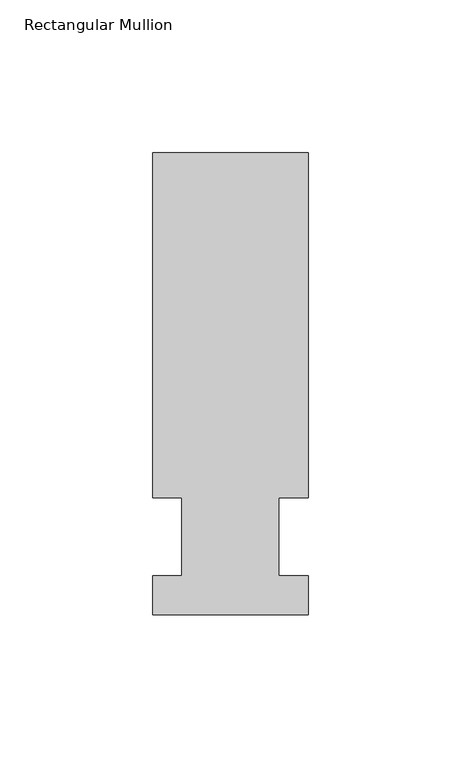
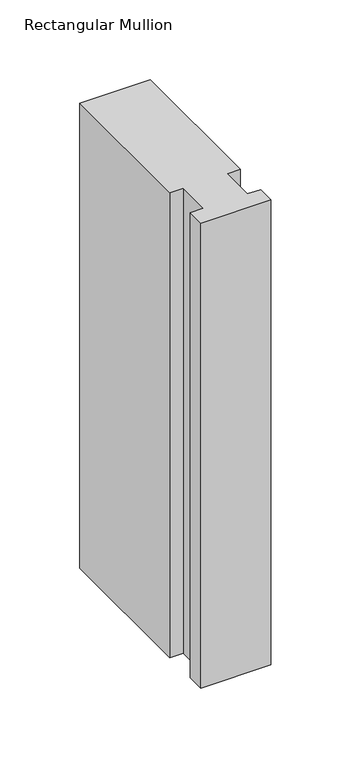
"""IFC4 building model written with IfcOpenShell, lengths in millimetres: member geometry, Rectangular Mullion."""

import ifcopenshell
import ifcopenshell.guid

model = None  # the IFC model being written
_history = None  # IfcOwnerHistory: only IFC2X3 demands one
_inside = {}  # id of a spatial element -> (the spatial element, [elements in it])
_under = {}  # id of a project, library or spatial element -> (it, [spatial elements below it])
_declared = {}  # id of a project -> (the project, [libraries it declares])
_typed = {}  # id of a type object -> (the type object, [elements of that type])
_made_of = {}  # id of a material, layer set ... -> (it, [elements and type objects made of it])


def new_model(schema):
    """Start an empty IFC model of exactly this schema.

    Asked for "IFC4X3", IfcOpenShell would pick the latest addendum, in which some entities
    have other attributes; the version numbers below select the first issue.
    IFC2X3 requires an IfcOwnerHistory on every rooted entity: one is made here for all.
    """
    global model, _history
    if schema == "IFC4X3":
        model = ifcopenshell.file(schema_version=(4, 3, 0, 0))
    else:
        model = ifcopenshell.file(schema=schema)
    _inside.clear()
    _under.clear()
    _declared.clear()
    _typed.clear()
    _made_of.clear()
    _history = None
    if model.schema == "IFC2X3":
        org = make("IfcOrganization", Name="unknown")
        user = make(
            "IfcPersonAndOrganization",
            ThePerson=make("IfcPerson", FamilyName="unknown"),
            TheOrganization=org,
        )
        app = make(
            "IfcApplication",
            ApplicationDeveloper=org,
            Version="unknown",
            ApplicationFullName="unknown",
            ApplicationIdentifier="unknown",
        )
        _history = make(
            "IfcOwnerHistory",
            OwningUser=user,
            OwningApplication=app,
            ChangeAction="ADDED",
            CreationDate=0,
        )
    return model


def make(cls, **values):
    """One entity of the class cls with the attributes given. An attribute that is None is left unset."""
    return model.create_entity(
        cls, **{name: value for name, value in values.items() if value is not None}
    )


def rooted(cls, **values):
    """An entity with a GlobalId (a new one), such as an element, a storey or a relation."""
    return make(cls, GlobalId=ifcopenshell.guid.new(), OwnerHistory=_history, **values)


def si_unit(unit_type, name, prefix=None):
    """IfcSIUnit, for example si_unit("LENGTHUNIT", "METRE", prefix="MILLI")."""
    return make("IfcSIUnit", UnitType=unit_type, Prefix=prefix, Name=name)


def assignment(units):
    """IfcUnitAssignment: the units of a project."""
    return None if units is None else make("IfcUnitAssignment", Units=units)


def point(xyz):
    """IfcCartesianPoint."""
    return None if xyz is None else make("IfcCartesianPoint", Coordinates=xyz)


def direction(xyz):
    """IfcDirection."""
    return None if xyz is None else make("IfcDirection", DirectionRatios=xyz)


def frame(location, z_axis=None, x_axis=None):
    """IfcAxis2Placement3D, a coordinate frame: its origin and axes. An axis left out is left unset."""
    return make(
        "IfcAxis2Placement3D",
        Location=point(location),
        Axis=direction(z_axis),
        RefDirection=direction(x_axis),
    )


def origin():
    """The frame at (0, 0, 0) with its axes left unset."""
    return frame((0.0, 0.0, 0.0))


def place(relative_to, where):
    """IfcLocalPlacement: puts the frame where relative to a parent placement (None: the world)."""
    return make(
        "IfcLocalPlacement", PlacementRelTo=relative_to, RelativePlacement=where
    )


def context(
    kind, dimensions, precision=None, world=None, true_north=None, identifier=None
):
    """IfcGeometricRepresentationContext, for example the 3D "Model" context."""
    return make(
        "IfcGeometricRepresentationContext",
        ContextIdentifier=identifier,
        ContextType=kind,
        CoordinateSpaceDimension=dimensions,
        Precision=precision,
        WorldCoordinateSystem=world,
        TrueNorth=true_north,
    )


def project(units=None, contexts=None):
    """IfcProject with its units and contexts."""
    return rooted(
        "IfcProject",
        Name="project",
        RepresentationContexts=contexts,
        UnitsInContext=assignment(units),
    )


def spatial(cls, under=None, at=None, **own):
    """A site, building, storey or space (cls), placed at a placement, below another one or the project."""
    s = rooted(cls, ObjectPlacement=at, **own)
    if under is not None:
        _under.setdefault(under.id(), (under, []))[1].append(s)
    return s


def polyline(points):
    """IfcPolyline through the points."""
    return make("IfcPolyline", Points=[point(p) for p in points])


def outline(outer, holes=None, kind="AREA"):
    """IfcArbitraryClosedProfileDef: a profile drawn as a closed curve; with holes, ...WithVoids."""
    if holes is None:
        return make("IfcArbitraryClosedProfileDef", ProfileType=kind, OuterCurve=outer)
    return make(
        "IfcArbitraryProfileDefWithVoids",
        ProfileType=kind,
        OuterCurve=outer,
        InnerCurves=holes,
    )


def extrude(swept, where, along, depth):
    """IfcExtrudedAreaSolid: the profile swept, set in the frame where, extruded along a direction by depth."""
    return make(
        "IfcExtrudedAreaSolid",
        SweptArea=swept,
        Position=where,
        ExtrudedDirection=direction(along),
        Depth=depth,
    )


def shape(context_of_items, identifier, shape_type, items):
    """IfcShapeRepresentation: the items that make up one representation, for example the "Body"."""
    return make(
        "IfcShapeRepresentation",
        ContextOfItems=context_of_items,
        RepresentationIdentifier=identifier,
        RepresentationType=shape_type,
        Items=items,
    )


def source(mapping_origin, context_of_items, identifier, shape_type, items):
    """IfcRepresentationMap: a shape defined once, which mapped items show again and again."""
    return make(
        "IfcRepresentationMap",
        MappingOrigin=mapping_origin,
        MappedRepresentation=shape(context_of_items, identifier, shape_type, items),
    )


def transform(
    local_origin,
    x_axis=None,
    y_axis=None,
    z_axis=None,
    scale=None,
    scale2=None,
    scale3=None,
    uniform=True,
):
    """IfcCartesianTransformationOperator3D, or its non-uniform kind. x_axis, y_axis, z_axis: its Axis1, 2, 3."""
    if uniform:
        return make(
            "IfcCartesianTransformationOperator3D",
            Axis1=direction(x_axis),
            Axis2=direction(y_axis),
            LocalOrigin=point(local_origin),
            Scale=scale,
            Axis3=direction(z_axis),
        )
    return make(
        "IfcCartesianTransformationOperator3DnonUniform",
        Axis1=direction(x_axis),
        Axis2=direction(y_axis),
        LocalOrigin=point(local_origin),
        Scale=scale,
        Axis3=direction(z_axis),
        Scale2=scale2,
        Scale3=scale3,
    )


def mapped(mapping_source, mapping_target):
    """IfcMappedItem: shows the shape of a source again, moved by a transform."""
    return make(
        "IfcMappedItem", MappingSource=mapping_source, MappingTarget=mapping_target
    )


def made_of(thing, what):
    """Note that an element or type object is made of a material, layer set ...; save() writes the relation."""
    if what is not None:
        _made_of.setdefault(what.id(), (what, []))[1].append(thing)
    return thing


def element(
    cls,
    number,
    at=None,
    inside=None,
    cuts=None,
    type_object=None,
    material=None,
    context=None,
    identifier="Body",
    shape_type=None,
    held_by="IfcProductDefinitionShape",
    body=None,
    shapes=None,
    **own,
):
    """One element of the class cls, such as IfcWall. Its Tag is "e" and its number.

    at: its placement. inside: the storey or other place that contains it. cuts: it is an
    opening in that element (IfcRelVoidsElement). A single representation is given by context,
    identifier, shape_type and body (its items); several are given by shapes. held_by: the class
    of the entity that holds the representations. save() writes the other relations.
    """
    e = rooted(cls, Tag="e%d" % number, ObjectPlacement=at, **own)
    if body is not None:
        shapes = [shape(context, identifier, shape_type, body)]
    if shapes is not None:
        e.Representation = make(held_by, Representations=shapes)
    if inside is not None:
        _inside.setdefault(inside.id(), (inside, []))[1].append(e)
    if cuts is not None:
        rooted(
            "IfcRelVoidsElement", RelatingBuildingElement=cuts, RelatedOpeningElement=e
        )
    if type_object is not None:
        _typed.setdefault(type_object.id(), (type_object, []))[1].append(e)
    return made_of(e, material)


def aggregate(whole, parts):
    """IfcRelAggregates: a whole, such as a stair, and the parts it consists of."""
    return rooted("IfcRelAggregates", RelatingObject=whole, RelatedObjects=parts)


def save(model, path):
    """Write the relations noted so far, then the file.

    IfcRelAggregates (storeys below a building ...), IfcRelContainedInSpatialStructure (elements
    in a storey), IfcRelDefinesByType, IfcRelAssociatesMaterial and IfcRelDeclares: one each for
    every whole, place, type object, material and project.
    """
    for whole, parts in _under.values():
        aggregate(whole, parts)
    for where, things in _inside.values():
        rooted(
            "IfcRelContainedInSpatialStructure",
            RelatedElements=things,
            RelatingStructure=where,
        )
    for kind, things in _typed.values():
        rooted("IfcRelDefinesByType", RelatedObjects=things, RelatingType=kind)
    for what, things in _made_of.values():
        rooted("IfcRelAssociatesMaterial", RelatedObjects=things, RelatingMaterial=what)
    for by, libraries in _declared.values():
        rooted("IfcRelDeclares", RelatingContext=by, RelatedDefinitions=libraries)
    model.write(path)


def rectangular_mullion_8f6aa580(model_context):
    return source(origin(), model_context, "Body", "SweptSolid", [
        extrude(outline(polyline([(-25.4, -25.5984375), (-25.4, -12.7), (-15.875, -12.7), (-15.875, 12.7), (-25.4, 12.7), (-25.4, 125.6109375), (25.4, 125.6109375), (25.4, 12.7), (15.875, 12.7), (15.875, -12.7), (25.4, -12.7), (25.4, -25.5984375), (-25.4, -25.5984375)])), frame((0.0, 0.0, -355.6), z_axis=(0.0, 0.0, 1.0), x_axis=(1.0, 0.0, 0.0)), (0.0, 0.0, 1.0), 355.6),
    ])


if __name__ == "__main__":
    model = new_model("IFC4")
    model_context = context("Model", 3, world=origin())
    ifc_project = project(units=[si_unit("LENGTHUNIT", "METRE", prefix="MILLI")], contexts=[model_context])
    site = spatial("IfcSite", under=ifc_project)
    building = spatial("IfcBuilding", under=site)
    placement = place(None, origin())
    rectangular_mullion_shape = rectangular_mullion_8f6aa580(model_context)
    element("IfcMember", 1, ObjectType="Rectangular Mullion", at=placement, inside=building, context=model_context, shape_type="MappedRepresentation", body=[
        mapped(rectangular_mullion_shape, transform((0.0, 0.0, 0.0), x_axis=(1.0, 0.0, 0.0), y_axis=(0.0, 1.0, 0.0), z_axis=(0.0, 0.0, 1.0))),
    ])
    save(model, "model.ifc")
